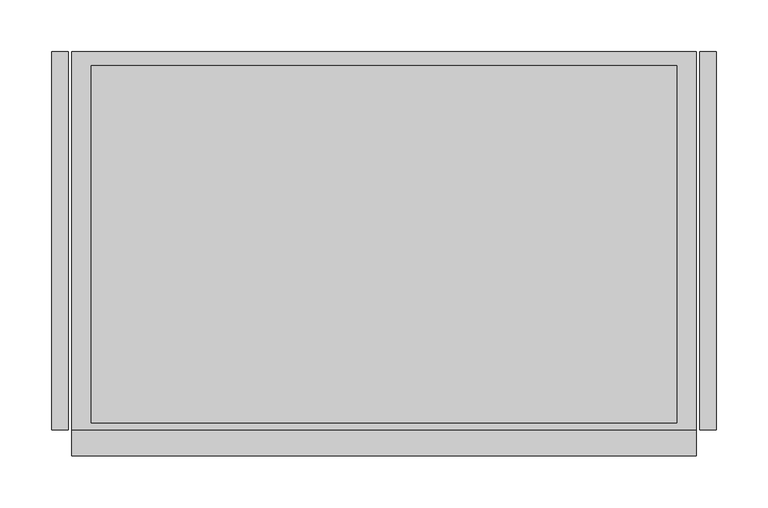
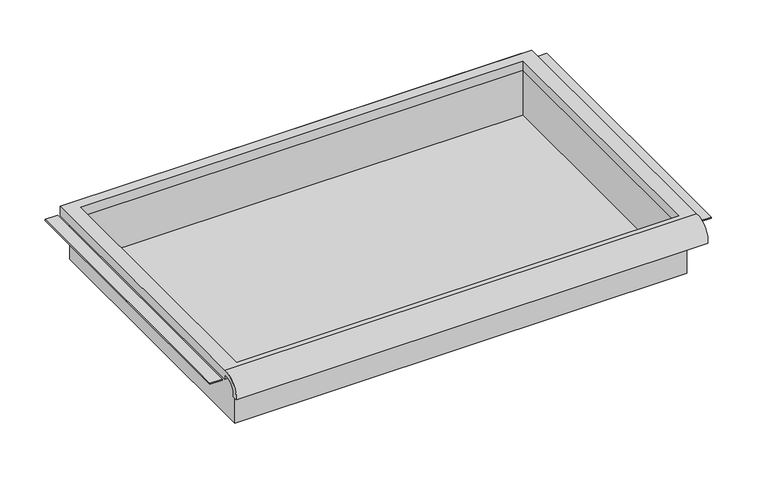
"""IFC4 building model written with IfcOpenShell, lengths in millimetres: furniture geometry."""

from ifc_helpers import new_model, si_unit, frame, origin, place, context, project, spatial, polyline, circle_curve, faceted_brep, source, transform, mapped, element, save
from ifc_brep_helpers import plane_surface, cylinder_surface, revolved_surface, advanced_brep


def furniture_67f992e0(model_context):
    return source(origin(), model_context, "Body", "SolidModel", [
        advanced_brep(
        [(305.0224999, -195.297482, 735.8035683), (305.0224999, -188.9125, 735.8035683), (305.0224999, -169.8625, 754.0650415), (305.0224999, -169.8625, 747.71504), (305.0224999, 195.2625, 747.71504), (305.0224999, 195.2625, 760.4150415), (305.0224999, -169.8625, 760.4150415), (-298.2275001, -195.297482, 735.8035683), (-298.2275001, -169.8625, 760.4150415), (-298.2275001, 195.2625, 760.4150415), (-298.2275001, 195.2625, 747.71504), (-298.2275001, -169.8625, 747.71504), (-298.2275001, -169.8625, 754.0650415), (-298.2275001, -188.9125, 735.8035683), (285.9725003, 181.9275, 747.71504), (-279.1775005, 181.9275, 747.71504), (-279.1775005, -163.5125, 747.71504), (285.9725003, -163.5125, 747.71504), (-279.1775005, 181.9275, 760.4150415), (285.9725003, 181.9275, 760.4150415), (285.9725003, -163.5125, 760.4150415), (-279.1775005, -163.5125, 760.4150415)],
        [
            (0, 1),
            (1, 2, circle_curve(frame((305.0224999, -172.3404634, 737.5829787), z_axis=(-1.0, 0.0, 0.0), x_axis=(0.0, 1.0, 0.0)), 16.6672942)),
            (2, 3),
            (3, 4),
            (4, 5),
            (5, 6),
            (6, 0, circle_curve(frame((305.0224999, -172.4601678, 737.6508687), z_axis=(1.0, 0.0, 0.0), x_axis=(0.0, 1.0, 0.0)), 22.9119061)),
            (7, 8, circle_curve(frame((-298.2275001, -172.4601678, 737.6508687), z_axis=(-1.0, 0.0, 0.0), x_axis=(0.0, 1.0, 0.0)), 22.9119061)),
            (8, 9),
            (9, 10),
            (10, 11),
            (11, 12),
            (12, 13, circle_curve(frame((-298.2275001, -172.3404634, 737.5829787), z_axis=(1.0, 0.0, 0.0), x_axis=(0.0, 1.0, 0.0)), 16.6672942)),
            (13, 7),
            (0, 7),
            (13, 1),
            (12, 2),
            (11, 3),
            (10, 4),
            (14, 15),
            (15, 16),
            (16, 17),
            (17, 14),
            (9, 5),
            (8, 6),
            (18, 19),
            (19, 20),
            (20, 21),
            (21, 18),
            (14, 19),
            (18, 15),
            (21, 16),
            (20, 17),
        ],
        [
            plane_surface(frame((305.0224999, -195.297482, 735.8035683), z_axis=(1.0, 0.0, 0.0), x_axis=(0.0, 1.0, 0.0))),
            plane_surface(frame((-298.2275001, -195.297482, 735.8035683), z_axis=(-1.0, 0.0, 0.0), x_axis=(0.0, -1.0, 0.0))),
            plane_surface(frame((305.0224999, -195.297482, 735.8035683), z_axis=(0.0, 0.0, -1.0), x_axis=(-1.0, 0.0, 0.0))),
            revolved_surface(polyline([(-298.2275001, -155.67316920000002, 737.5829787), (305.0224999, -155.67316920000002, 737.5829787)]), (-298.2275001, -172.3404634, 737.5829787), (-1.0, 0.0, 0.0)),
            plane_surface(frame((305.0224999, -169.8625, 754.0650415), z_axis=(0.0, -1.0, 1.3429254504060742e-12), x_axis=(-1.0, 0.0, 0.0))),
            plane_surface(frame((305.0224999, -169.8625, 747.71504), z_axis=(0.0, 0.0, -1.0), x_axis=(-1.0, 0.0, 0.0))),
            plane_surface(frame((305.0224999, 195.2625, 747.71504), z_axis=(0.0, 1.0, 0.0), x_axis=(-1.0, 0.0, 0.0))),
            plane_surface(frame((305.0224999, 195.2625, 760.4150415), z_axis=(0.0, 0.0, 1.0), x_axis=(-1.0, 0.0, 0.0))),
            cylinder_surface(frame((-298.2275001, -172.4601678, 737.6508687), z_axis=(1.0, 0.0, 0.0), x_axis=(0.0, 1.0, 0.0)), 22.9119061),
            plane_surface(frame((285.9725003, 181.9275, 760.4150415), z_axis=(0.0, -1.0, 0.0), x_axis=(0.0, 0.0, -1.0))),
            plane_surface(frame((-279.1775005, 181.9275, 760.4150415), z_axis=(1.0, 0.0, 0.0), x_axis=(0.0, 0.0, -1.0))),
            plane_surface(frame((-279.1775005, -163.5125, 760.4150415), z_axis=(0.0, 1.0, 0.0), x_axis=(0.0, 0.0, -1.0))),
            plane_surface(frame((285.9725003, -163.5125, 760.4150415), z_axis=(-1.0, 0.0, 0.0), x_axis=(0.0, 0.0, -1.0))),
        ],
        [
            (0, [[1, 2, 3, 4, 5, 6, 7]]),
            (1, [[8, 9, 10, 11, 12, 13, 14]]),
            (2, [[-1, 15, -14, 16]]),
            (3, [[-2, -16, -13, 17]]),
            (4, [[-3, -17, -12, 18]]),
            (5, [[-4, -18, -11, 19], [20, 21, 22, 23]]),
            (6, [[-5, -19, -10, 24]]),
            (7, [[-6, -24, -9, 25], [26, 27, 28, 29]]),
            (8, [[-7, -25, -8, -15]]),
            (9, [[30, -26, 31, -20]]),
            (10, [[-31, -29, 32, -21]]),
            (11, [[-32, -28, 33, -22]]),
            (12, [[-30, -23, -33, -27]]),
        ],
    ),
        faceted_brep([(-285.5275005, -169.8625, 684.2150415), (292.3225003, -169.8625, 684.2150415), (292.3225003, -169.8625, 760.4150415), (-285.5275005, -169.8625, 760.4150415), (-285.5275005, 195.2625, 684.2150415), (-285.5275005, 195.2625, 760.4150415), (292.3225003, 195.2625, 760.4150415), (292.3225003, 195.2625, 684.2150415), (-279.1775005, 181.9275, 760.4150415), (285.9725003, 181.9275, 760.4150415), (285.9725003, -163.5125, 760.4150415), (-279.1775005, -163.5125, 760.4150415), (285.9725003, 181.9275, 687.2412134), (-279.1775005, 181.9275, 687.2412134), (-279.1775005, -163.5125, 687.2412134), (285.9725003, -163.5125, 687.2412134)], [[[0, 1, 2, 3]], [[4, 5, 6, 7]], [[1, 0, 4, 7]], [[2, 1, 7, 6]], [[3, 2, 6, 5], [8, 9, 10, 11]], [[0, 3, 5, 4]], [[12, 13, 14, 15]], [[13, 12, 9, 8]], [[14, 13, 8, 11]], [[15, 14, 11, 10]], [[12, 15, 10, 9]]]),
        faceted_brep([(-317.2774997, 195.2625, 747.71504), (-317.2774997, 195.2625, 749.30254), (-301.4025001, 195.2625, 749.30254), (-301.4025001, 195.2625, 747.71504), (-317.2774997, -169.8625, 747.71504), (-301.4025001, -169.8625, 747.71504), (-301.4025001, -169.8625, 749.30254), (-317.2774997, -169.8625, 749.30254)], [[[0, 1, 2, 3]], [[4, 5, 6, 7]], [[1, 0, 4, 7]], [[2, 1, 7, 6]], [[3, 2, 6, 5]], [[0, 3, 5, 4]]]),
        faceted_brep([(324.0725245, 195.2625, 747.71504), (308.1974999, 195.2625, 747.71504), (308.1974999, 195.2625, 749.30254), (324.0725245, 195.2625, 749.30254), (324.0725245, -169.8625, 747.71504), (324.0725245, -169.8625, 749.30254), (308.1974999, -169.8625, 749.30254), (308.1974999, -169.8625, 747.71504)], [[[0, 1, 2, 3]], [[4, 5, 6, 7]], [[1, 0, 4, 7]], [[2, 1, 7, 6]], [[3, 2, 6, 5]], [[0, 3, 5, 4]]]),
    ])


if __name__ == "__main__":
    model = new_model("IFC4")
    model_context = context("Model", 3, world=origin())
    ifc_project = project(units=[si_unit("LENGTHUNIT", "METRE", prefix="MILLI")], contexts=[model_context])
    site = spatial("IfcSite", under=ifc_project)
    building = spatial("IfcBuilding", under=site)
    placement = place(None, origin())
    furniture_shape = furniture_67f992e0(model_context)
    element("IfcFurniture", 1, at=placement, inside=building, context=model_context, shape_type="MappedRepresentation", body=[
        mapped(furniture_shape, transform((0.0, 0.0, 0.0), x_axis=(1.0, 0.0, 0.0), y_axis=(0.0, 1.0, 0.0), z_axis=(0.0, 0.0, 1.0))),
    ])
    save(model, "model.ifc")
